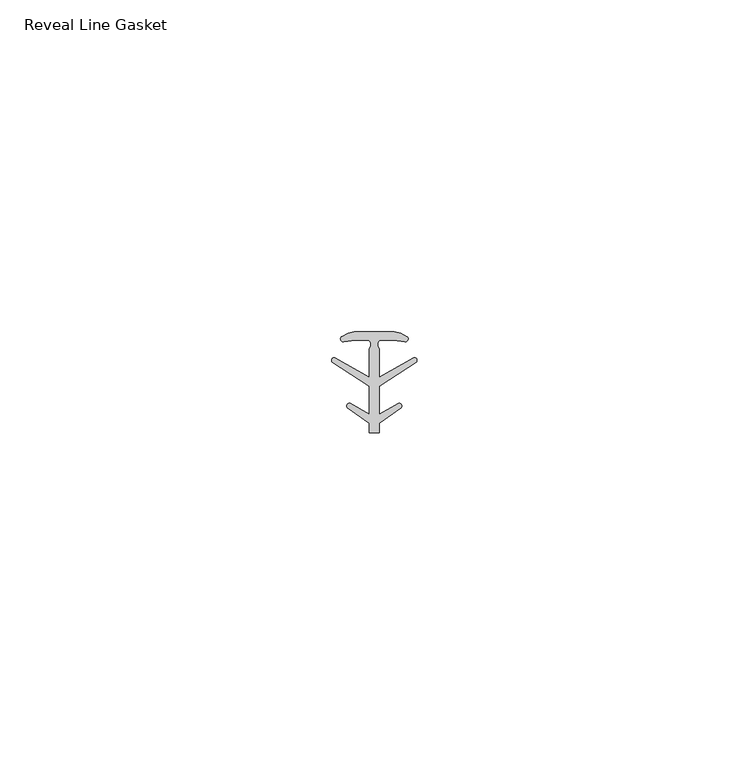
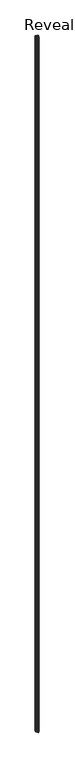
"""IFC4 building model written with IfcOpenShell, lengths in millimetres: proxy geometry, Reveal Line Gasket."""

from ifc_helpers import new_model, si_unit, point, frame, frame_2d, origin, place, context, project, spatial, polyline, circle_curve, trimmed, segment, composite_curve, outline, extrude, source, transform, mapped, element, save


def reveal_line_gasket_6c6468ad(model_context):
    return source(origin(), model_context, "Body", "SweptSolid", [
        extrude(outline(composite_curve([segment(polyline([(2.999107, 7.6326998), (3.9545998, 7.4091917), (4.8875754, 6.8813059)]), True, "CONTINUOUS"), segment(trimmed(circle_curve(frame_2d((4.6855864, 6.5243141)), 0.4101739), [point((4.8875754, 6.8813059))], [point((4.5932418, 6.1246704))], False, "CARTESIAN"), True, "CONTINUOUS"), segment(polyline([(4.5932418, 6.1246704), (2.8970156, 6.3626997), (0.8645598, 6.3626997)]), True, "CONTINUOUS"), segment(trimmed(circle_curve(frame_2d((1.2810328, 5.6959605)), 0.786124), [point((0.8645598, 6.3626997))], [point((0.7769821, 5.0926996))], True, "CARTESIAN"), True, "CONTINUOUS"), segment(polyline([(0.7769821, 5.0926996), (0.7769821, 0.7492996), (5.9386365, 3.7293824)]), True, "CONTINUOUS"), segment(trimmed(circle_curve(frame_2d((6.0040832, 3.3132479)), 0.4212495), [point((5.9386365, 3.7293824))], [point((6.3317429, 3.0485022))], False, "CARTESIAN"), True, "CONTINUOUS"), segment(polyline([(6.3317429, 3.0485022), (0.7769821, -0.5742594), (0.7769821, -4.8262978), (3.6526367, -3.1660374)]), True, "CONTINUOUS"), segment(trimmed(circle_curve(frame_2d((3.7109925, -3.5978728)), 0.4357605), [point((3.6526367, -3.1660374))], [point((4.0557951, -3.864328))], False, "CARTESIAN"), True, "CONTINUOUS"), segment(polyline([(4.0557951, -3.864328), (0.7769821, -6.1944059), (0.7769821, -7.6326998), (-0.778768, -7.6326998), (-0.778768, -6.1944059), (-4.0575811, -3.864328)]), True, "CONTINUOUS"), segment(trimmed(circle_curve(frame_2d((-3.7127785, -3.5978728)), 0.4357605), [point((-4.0575811, -3.864328))], [point((-3.6544226, -3.1660374))], False, "CARTESIAN"), True, "CONTINUOUS"), segment(polyline([(-3.6544226, -3.1660374), (-0.778768, -4.8262978), (-0.778768, -0.5742594), (-6.3335288, 3.0485022)]), True, "CONTINUOUS"), segment(trimmed(circle_curve(frame_2d((-6.0058691, 3.3132479)), 0.4212495), [point((-6.3335288, 3.0485022))], [point((-5.9404224, 3.7293824))], False, "CARTESIAN"), True, "CONTINUOUS"), segment(polyline([(-5.9404224, 3.7293824), (-0.778768, 0.7492996), (-0.778768, 5.0926996)]), True, "CONTINUOUS"), segment(trimmed(circle_curve(frame_2d((-1.2828188, 5.6959605)), 0.786124), [point((-0.778768, 5.0926996))], [point((-0.8663457, 6.3626997))], True, "CARTESIAN"), True, "CONTINUOUS"), segment(polyline([(-0.8663457, 6.3626997), (-2.8988015, 6.3626997), (-4.5950277, 6.1246704)]), True, "CONTINUOUS"), segment(trimmed(circle_curve(frame_2d((-4.6873723, 6.5243141)), 0.4101739), [point((-4.5950277, 6.1246704))], [point((-4.8893614, 6.8813059))], False, "CARTESIAN"), True, "CONTINUOUS"), segment(polyline([(-4.8893614, 6.8813059), (-3.9563857, 7.4091917), (-3.000893, 7.6326998), (2.999107, 7.6326998)]), True, "CONTINUOUS")], self_intersect=False)), frame((0.0, 0.0, 84.836), z_axis=(0.0, 0.0, 1.0), x_axis=(1.0, 0.0, 0.0)), (0.0, 0.0, 1.0), 2954.02),
    ])


if __name__ == "__main__":
    model = new_model("IFC4")
    model_context = context("Model", 3, world=origin())
    ifc_project = project(units=[si_unit("LENGTHUNIT", "METRE", prefix="MILLI")], contexts=[model_context])
    site = spatial("IfcSite", under=ifc_project)
    building = spatial("IfcBuilding", under=site)
    placement = place(None, origin())
    reveal_line_gasket_shape = reveal_line_gasket_6c6468ad(model_context)
    element("IfcBuildingElementProxy", 1, Name="Reveal Line Gasket", ObjectType="Reveal Line Gasket", at=placement, inside=building, context=model_context, shape_type="MappedRepresentation", body=[
        mapped(reveal_line_gasket_shape, transform((0.0, 0.0, 0.0), x_axis=(1.0, 0.0, 0.0), y_axis=(0.0, 1.0, 0.0), z_axis=(0.0, 0.0, 1.0))),
    ])
    save(model, "model.ifc")
